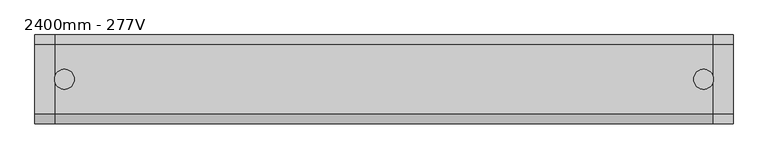
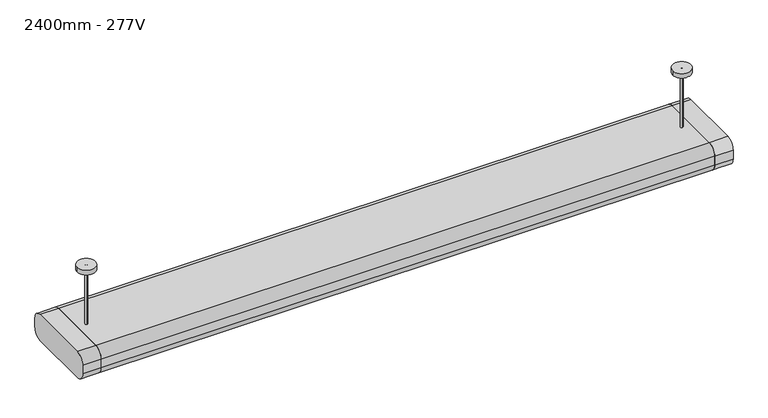
"""IFC4 building model written with IfcOpenShell, lengths in millimetres: light fixture geometry, 2400mm - 277V."""

from ifc_helpers import new_model, si_unit, point, frame, frame_2d, origin, place, context, project, spatial, polyline, circle_curve, trimmed, segment, composite_curve, outline, extrude, source, transform, mapped, element, save


def light_fixture_2400mm_277v_b218ffc2(model_context):
    return source(origin(), model_context, "Body", "SweptSolid", [
        extrude(outline(composite_curve([segment(trimmed(circle_curve(frame_2d((88.9, 2239.2)), 25.4), [point((88.9, 2264.6))], [point((114.3, 2239.2))], False, "CARTESIAN"), True, "CONTINUOUS"), segment(polyline([(114.3, 2239.2), (114.3, 2213.8)]), True, "CONTINUOUS"), segment(trimmed(circle_curve(frame_2d((88.9, 2213.8)), 25.4), [point((114.3, 2213.8))], [point((88.9, 2188.4))], False, "CARTESIAN"), True, "CONTINUOUS"), segment(polyline([(88.9, 2188.4), (-88.9, 2188.4)]), True, "CONTINUOUS"), segment(trimmed(circle_curve(frame_2d((-88.9, 2213.8)), 25.4), [point((-88.9, 2188.4))], [point((-114.3, 2213.8))], False, "CARTESIAN"), True, "CONTINUOUS"), segment(polyline([(-114.3, 2213.8), (-114.3, 2239.2)]), True, "CONTINUOUS"), segment(trimmed(circle_curve(frame_2d((-88.9, 2239.2)), 25.4), [point((-114.3, 2239.2))], [point((-88.9, 2264.6))], False, "CARTESIAN"), True, "CONTINUOUS"), segment(polyline([(-88.9, 2264.6), (88.9, 2264.6)]), True, "CONTINUOUS")], self_intersect=False)), frame((849.2, 0.0, 0.0), z_axis=(1.0, 0.0, 0.0), x_axis=(0.0, 1.0, 0.0)), (0.0, 0.0, 1.0), 50.8),
        extrude(outline(composite_curve([segment(polyline([(-88.9, 2264.6), (88.9, 2264.6)]), True, "CONTINUOUS"), segment(trimmed(circle_curve(frame_2d((88.9, 2239.2)), 25.4), [point((88.9, 2264.6))], [point((114.3, 2239.2))], False, "CARTESIAN"), True, "CONTINUOUS"), segment(polyline([(114.3, 2239.2), (114.3, 2213.8)]), True, "CONTINUOUS"), segment(trimmed(circle_curve(frame_2d((88.9, 2213.8)), 25.4), [point((114.3, 2213.8))], [point((88.9, 2188.4))], False, "CARTESIAN"), True, "CONTINUOUS"), segment(polyline([(88.9, 2188.4), (-88.9, 2188.4)]), True, "CONTINUOUS"), segment(trimmed(circle_curve(frame_2d((-88.9, 2213.8)), 25.4), [point((-88.9, 2188.4))], [point((-114.3, 2213.8))], False, "CARTESIAN"), True, "CONTINUOUS"), segment(polyline([(-114.3, 2213.8), (-114.3, 2239.2)]), True, "CONTINUOUS"), segment(trimmed(circle_curve(frame_2d((-88.9, 2239.2)), 25.4), [point((-114.3, 2239.2))], [point((-88.9, 2264.6))], False, "CARTESIAN"), True, "CONTINUOUS")], self_intersect=False)), frame((-900.0, 0.0, 0.0), z_axis=(1.0, 0.0, 0.0), x_axis=(0.0, 1.0, 0.0)), (0.0, 0.0, 1.0), 50.8),
        extrude(outline(polyline([(849.2, 63.5), (849.2, -63.5), (-849.2, -63.5), (-849.2, 63.5), (849.2, 63.5)])), frame((0.0, 0.0, 2188.4), z_axis=(0.0, 0.0, 1.0), x_axis=(1.0, 0.0, 0.0)), (0.0, 0.0, 1.0), 12.7),
        extrude(outline(composite_curve([segment(trimmed(circle_curve(frame_2d((-823.8883785, 0.0)), 25.4), [point((-849.2883785, 0.0))], [point((-798.4883785, 0.0))], False, "CARTESIAN"), True, "CONTINUOUS"), segment(trimmed(circle_curve(frame_2d((-823.8883785, 0.0)), 25.4), [point((-798.4883785, 0.0))], [point((-849.2883785, 0.0))], False, "CARTESIAN"), True, "CONTINUOUS")], self_intersect=False)), frame((0.0, 0.0, 2425.7), z_axis=(0.0, 0.0, 1.0), x_axis=(1.0, 0.0, 0.0)), (0.0, 0.0, 1.0), 12.7),
        extrude(outline(composite_curve([segment(trimmed(circle_curve(frame_2d((823.8, 0.0)), 25.4), [point((798.4, 0.0))], [point((849.2, 0.0))], False, "CARTESIAN"), True, "CONTINUOUS"), segment(trimmed(circle_curve(frame_2d((823.8, 0.0)), 25.4), [point((849.2, 0.0))], [point((798.4, 0.0))], False, "CARTESIAN"), True, "CONTINUOUS")], self_intersect=False)), frame((0.0, 0.0, 2425.7), z_axis=(0.0, 0.0, 1.0), x_axis=(1.0, 0.0, 0.0)), (0.0, 0.0, 1.0), 12.7),
        extrude(outline(composite_curve([segment(trimmed(circle_curve(frame_2d((-823.8, 0.0)), 3.175), [point((-823.8, 3.175))], [point((-823.8, -3.175))], False, "CARTESIAN"), True, "CONTINUOUS"), segment(trimmed(circle_curve(frame_2d((-823.8, 0.0)), 3.175), [point((-823.8, -3.175))], [point((-823.8, 3.175))], False, "CARTESIAN"), True, "CONTINUOUS")], self_intersect=False)), frame((0.0, 0.0, 2264.6), z_axis=(0.0, 0.0, 1.0), x_axis=(1.0, 0.0, 0.0)), (0.0, 0.0, 1.0), 173.8),
        extrude(outline(composite_curve([segment(trimmed(circle_curve(frame_2d((823.8, 0.0)), 3.175), [point((823.8, 3.175))], [point((823.8, -3.175))], False, "CARTESIAN"), True, "CONTINUOUS"), segment(trimmed(circle_curve(frame_2d((823.8, 0.0)), 3.175), [point((823.8, -3.175))], [point((823.8, 3.175))], False, "CARTESIAN"), True, "CONTINUOUS")], self_intersect=False)), frame((0.0, 0.0, 2264.6), z_axis=(0.0, 0.0, 1.0), x_axis=(1.0, 0.0, 0.0)), (0.0, 0.0, 1.0), 173.8),
        extrude(outline(composite_curve([segment(polyline([(-88.9, 2264.6), (88.9, 2264.6)]), True, "CONTINUOUS"), segment(trimmed(circle_curve(frame_2d((88.9, 2239.2)), 25.4), [point((88.9, 2264.6))], [point((114.3, 2239.2))], False, "CARTESIAN"), True, "CONTINUOUS"), segment(polyline([(114.3, 2239.2), (114.3, 2213.8)]), True, "CONTINUOUS"), segment(trimmed(circle_curve(frame_2d((88.9, 2213.8)), 25.4), [point((114.3, 2213.8))], [point((88.9, 2188.4))], False, "CARTESIAN"), True, "CONTINUOUS"), segment(polyline([(88.9, 2188.4), (63.5, 2188.4), (63.5, 2213.8), (-63.5, 2213.8), (-63.5, 2188.4), (-88.9, 2188.4)]), True, "CONTINUOUS"), segment(trimmed(circle_curve(frame_2d((-88.9, 2213.8)), 25.4), [point((-88.9, 2188.4))], [point((-114.3, 2213.8))], False, "CARTESIAN"), True, "CONTINUOUS"), segment(polyline([(-114.3, 2213.8), (-114.3, 2239.2)]), True, "CONTINUOUS"), segment(trimmed(circle_curve(frame_2d((-88.9, 2239.2)), 25.4), [point((-114.3, 2239.2))], [point((-88.9, 2264.6))], False, "CARTESIAN"), True, "CONTINUOUS")], self_intersect=False)), frame((-849.2, 0.0, 0.0), z_axis=(1.0, 0.0, 0.0), x_axis=(0.0, 1.0, 0.0)), (0.0, 0.0, 1.0), 1698.4),
    ])


if __name__ == "__main__":
    model = new_model("IFC4")
    model_context = context("Model", 3, world=origin())
    ifc_project = project(units=[si_unit("LENGTHUNIT", "METRE", prefix="MILLI")], contexts=[model_context])
    site = spatial("IfcSite", under=ifc_project)
    building = spatial("IfcBuilding", under=site)
    placement = place(None, origin())
    light_fixture_2400mm_277v_shape = light_fixture_2400mm_277v_b218ffc2(model_context)
    element("IfcLightFixture", 1, ObjectType="2400mm - 277V", at=placement, inside=building, context=model_context, shape_type="MappedRepresentation", body=[
        mapped(light_fixture_2400mm_277v_shape, transform((0.0, 0.0, 0.0), x_axis=(1.0, 0.0, 0.0), y_axis=(0.0, 1.0, 0.0), z_axis=(0.0, 0.0, 1.0))),
    ])
    save(model, "model.ifc")
